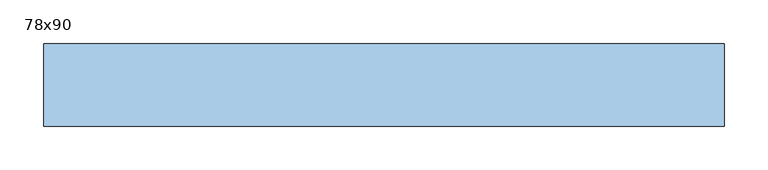
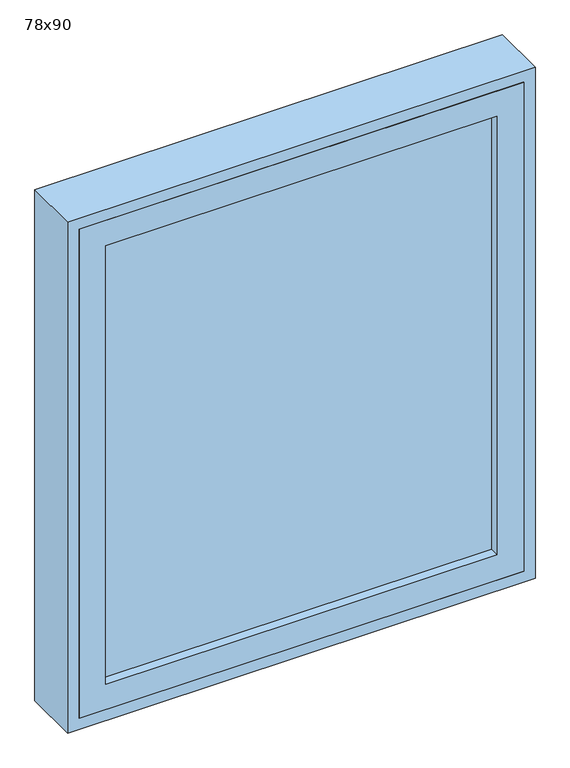
"""IFC4 building model written with IfcOpenShell, lengths in millimetres: window geometry, 78x90."""

from ifc_helpers import new_model, si_unit, frame, origin, place, context, project, spatial, polyline, outline, extrude, source, transform, mapped, element, save


def window_78x90_ddf97f0b(model_context):
    return source(origin(), model_context, "Body", "SweptSolid", [
        extrude(outline(polyline([(288.4, 71.425), (-364.6, 71.425), (-364.6, 84.125), (288.4, 84.125), (288.4, 71.425)])), frame((0.0, 0.0, 977.9), z_axis=(0.0, 0.0, 1.0), x_axis=(1.0, 0.0, 0.0)), (0.0, 0.0, 1.0), 773.0),
        extrude(outline(polyline([(1795.35, -409.05), (933.45, -409.05), (933.45, 332.85), (1795.35, 332.85), (1795.35, -409.05)]), holes=[polyline([(1750.9, -364.6), (1750.9, 288.4), (977.9, 288.4), (977.9, -364.6), (1750.9, -364.6)])]), frame((0.0, 55.55, 0.0), z_axis=(0.0, 1.0, 0.0), x_axis=(0.0, 0.0, 1.0)), (0.0, 0.0, 1.0), 44.45),
        extrude(outline(polyline([(1814.4, 351.9), (1814.4, -428.1), (914.4, -428.1), (914.4, 351.9), (1814.4, 351.9)]), holes=[polyline([(1795.35, 332.85), (933.45, 332.85), (933.45, -409.05), (1795.35, -409.05), (1795.35, 332.85)])]), frame((0.0, 55.55, 0.0), z_axis=(0.0, 1.0, 0.0), x_axis=(0.0, 0.0, 1.0)), (0.0, 0.0, 1.0), 94.45),
    ])


if __name__ == "__main__":
    model = new_model("IFC4")
    model_context = context("Model", 3, world=origin())
    ifc_project = project(units=[si_unit("LENGTHUNIT", "METRE", prefix="MILLI")], contexts=[model_context])
    site = spatial("IfcSite", under=ifc_project)
    building = spatial("IfcBuilding", under=site)
    placement = place(None, origin())
    window_78x90_shape = window_78x90_ddf97f0b(model_context)
    element("IfcWindow", 1, ObjectType="78x90", at=placement, inside=building, context=model_context, shape_type="MappedRepresentation", body=[
        mapped(window_78x90_shape, transform((0.0, 0.0, 0.0), x_axis=(1.0, 0.0, 0.0), y_axis=(0.0, 1.0, 0.0), z_axis=(0.0, 0.0, 1.0))),
    ])
    save(model, "model.ifc")
